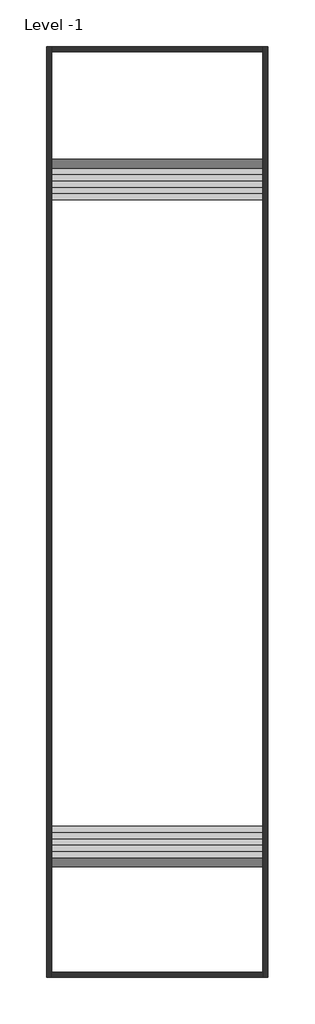
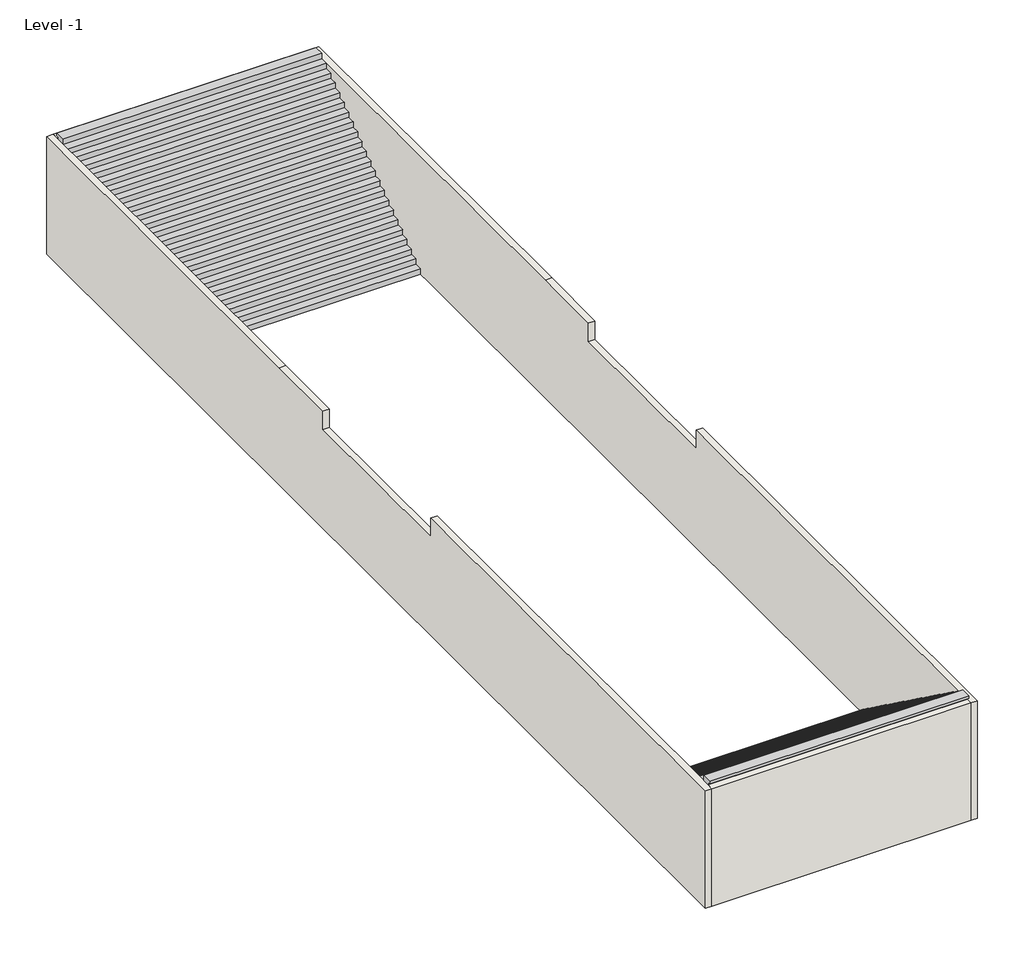
# One storey: 4 walls, 2 stair flights.
"""IFC4 building model written with IfcOpenShell, lengths in millimetres."""

from ifc_helpers import new_model, si_unit, frame, origin, place, context, project, spatial, polyline, outline, extrude, faceted_brep, element, save

model = new_model("IFC4")

# Units and contexts
model_context = context("Model", 3, world=origin())
ifc_project = project(units=[si_unit("LENGTHUNIT", "METRE", prefix="MILLI")], contexts=[model_context])

# Site, building, storey
site = spatial("IfcSite", under=ifc_project)
building = spatial("IfcBuilding", under=site)
storey = spatial("IfcBuildingStorey", under=building, Name="Level -1", Elevation=-5000.0)

# Stair flights
placement = place(None, origin())
element("IfcStairFlight", 1, ObjectType="1 mm Tread", at=placement, inside=storey, context=model_context, shape_type="Brep", body=[
    faceted_brep([(11292.4265189, 5497.7751014, -4782.6086957), (11292.4265189, 5797.7751014, -4782.6086957), (1292.4265189, 5797.7751014, -4782.6086957), (1292.4265189, 5497.7751014, -4782.6086957), (11292.4265189, 5497.7751014, -4967.8510904), (11292.4265189, 5542.1405967, -5000.0), (11292.4265189, 5797.7751014, -5000.0), (1292.4265189, 5797.7751014, -5000.0), (1292.4265189, 5542.1405967, -5000.0), (1292.4265189, 5497.7751014, -4967.8510904), (11292.4265189, 5197.7751014, -4565.2173913), (11292.4265189, 5497.7751014, -4565.2173913), (1292.4265189, 5497.7751014, -4565.2173913), (1292.4265189, 5197.7751014, -4565.2173913), (11292.4265189, 5197.7751014, -4750.459786), (1292.4265189, 5197.7751014, -4750.459786), (11292.4265189, 4897.7751014, -4347.826087), (11292.4265189, 5197.7751014, -4347.826087), (1292.4265189, 5197.7751014, -4347.826087), (1292.4265189, 4897.7751014, -4347.826087), (11292.4265189, 4897.7751014, -4533.0684817), (1292.4265189, 4897.7751014, -4533.0684817), (11292.4265189, 4597.7751014, -4130.4347826), (11292.4265189, 4897.7751014, -4130.4347826), (1292.4265189, 4897.7751014, -4130.4347826), (1292.4265189, 4597.7751014, -4130.4347826), (11292.4265189, 4597.7751014, -4315.6771773), (1292.4265189, 4597.7751014, -4315.6771773), (11292.4265189, 4297.7751014, -3913.0434783), (11292.4265189, 4597.7751014, -3913.0434783), (1292.4265189, 4597.7751014, -3913.0434783), (1292.4265189, 4297.7751014, -3913.0434783), (11292.4265189, 4297.7751014, -4098.285873), (1292.4265189, 4297.7751014, -4098.285873), (11292.4265189, 3997.7751014, -3695.6521739), (11292.4265189, 4297.7751014, -3695.6521739), (1292.4265189, 4297.7751014, -3695.6521739), (1292.4265189, 3997.7751014, -3695.6521739), (11292.4265189, 3997.7751014, -3880.8945686), (1292.4265189, 3997.7751014, -3880.8945686), (11292.4265189, 3697.7751014, -3478.2608696), (11292.4265189, 3997.7751014, -3478.2608696), (1292.4265189, 3997.7751014, -3478.2608696), (1292.4265189, 3697.7751014, -3478.2608696), (11292.4265189, 3697.7751014, -3663.5032643), (1292.4265189, 3697.7751014, -3663.5032643), (11292.4265189, 3397.7751014, -3260.8695652), (11292.4265189, 3697.7751014, -3260.8695652), (1292.4265189, 3697.7751014, -3260.8695652), (1292.4265189, 3397.7751014, -3260.8695652), (11292.4265189, 3397.7751014, -3446.1119599), (1292.4265189, 3397.7751014, -3446.1119599), (11292.4265189, 3097.7751014, -3043.4782609), (11292.4265189, 3397.7751014, -3043.4782609), (1292.4265189, 3397.7751014, -3043.4782609), (1292.4265189, 3097.7751014, -3043.4782609), (11292.4265189, 3097.7751014, -3228.7206556), (1292.4265189, 3097.7751014, -3228.7206556), (11292.4265189, 2797.7751014, -2826.0869565), (11292.4265189, 3097.7751014, -2826.0869565), (1292.4265189, 3097.7751014, -2826.0869565), (1292.4265189, 2797.7751014, -2826.0869565), (11292.4265189, 2797.7751014, -3011.3293512), (1292.4265189, 2797.7751014, -3011.3293512), (11292.4265189, 2497.7751014, -2608.6956522), (11292.4265189, 2797.7751014, -2608.6956522), (1292.4265189, 2797.7751014, -2608.6956522), (1292.4265189, 2497.7751014, -2608.6956522), (11292.4265189, 2497.7751014, -2793.9380469), (1292.4265189, 2497.7751014, -2793.9380469), (11292.4265189, 2197.7751014, -2391.3043478), (11292.4265189, 2497.7751014, -2391.3043478), (1292.4265189, 2497.7751014, -2391.3043478), (1292.4265189, 2197.7751014, -2391.3043478), (11292.4265189, 2197.7751014, -2576.5467425), (1292.4265189, 2197.7751014, -2576.5467425), (11292.4265189, 1897.7751014, -2173.9130435), (11292.4265189, 2197.7751014, -2173.9130435), (1292.4265189, 2197.7751014, -2173.9130435), (1292.4265189, 1897.7751014, -2173.9130435), (11292.4265189, 1897.7751014, -2359.1554382), (1292.4265189, 1897.7751014, -2359.1554382), (11292.4265189, 1597.7751014, -1956.5217391), (11292.4265189, 1897.7751014, -1956.5217391), (1292.4265189, 1897.7751014, -1956.5217391), (1292.4265189, 1597.7751014, -1956.5217391), (11292.4265189, 1597.7751014, -2141.7641339), (1292.4265189, 1597.7751014, -2141.7641339), (11292.4265189, 1297.7751014, -1739.1304348), (11292.4265189, 1597.7751014, -1739.1304348), (1292.4265189, 1597.7751014, -1739.1304348), (1292.4265189, 1297.7751014, -1739.1304348), (11292.4265189, 1297.7751014, -1924.3728295), (1292.4265189, 1297.7751014, -1924.3728295), (11292.4265189, 997.7751014, -1521.7391304), (11292.4265189, 1297.7751014, -1521.7391304), (1292.4265189, 1297.7751014, -1521.7391304), (1292.4265189, 997.7751014, -1521.7391304), (11292.4265189, 997.7751014, -1706.9815252), (1292.4265189, 997.7751014, -1706.9815252), (11292.4265189, 697.7751014, -1304.3478261), (11292.4265189, 997.7751014, -1304.3478261), (1292.4265189, 997.7751014, -1304.3478261), (1292.4265189, 697.7751014, -1304.3478261), (11292.4265189, 697.7751014, -1489.5902208), (1292.4265189, 697.7751014, -1489.5902208), (11292.4265189, 397.7751014, -1086.9565217), (11292.4265189, 697.7751014, -1086.9565217), (1292.4265189, 697.7751014, -1086.9565217), (1292.4265189, 397.7751014, -1086.9565217), (11292.4265189, 397.7751014, -1272.1989165), (1292.4265189, 397.7751014, -1272.1989165), (11292.4265189, 97.7751014, -869.5652174), (11292.4265189, 397.7751014, -869.5652174), (1292.4265189, 397.7751014, -869.5652174), (1292.4265189, 97.7751014, -869.5652174), (11292.4265189, 97.7751014, -1054.8076121), (1292.4265189, 97.7751014, -1054.8076121), (11292.4265189, -202.2248986, -652.173913), (11292.4265189, 97.7751014, -652.173913), (1292.4265189, 97.7751014, -652.173913), (1292.4265189, -202.2248986, -652.173913), (11292.4265189, -202.2248986, -837.4163078), (1292.4265189, -202.2248986, -837.4163078), (11292.4265189, -502.2248986, -434.7826087), (11292.4265189, -202.2248986, -434.7826087), (1292.4265189, -202.2248986, -434.7826087), (1292.4265189, -502.2248986, -434.7826087), (11292.4265189, -502.2248986, -620.0250034), (1292.4265189, -502.2248986, -620.0250034), (11292.4265189, -802.2248986, -217.3913043), (11292.4265189, -502.2248986, -217.3913043), (1292.4265189, -502.2248986, -217.3913043), (1292.4265189, -802.2248986, -217.3913043), (11292.4265189, -802.2248986, -402.6336991), (1292.4265189, -802.2248986, -402.6336991), (11292.4265189, -802.2248986, 0.0), (1292.4265189, -802.2248986, 0.0), (1292.4265189, -1202.2248986, 0.0), (11292.4265189, -1202.2248986, 0.0), (11292.4265189, -1202.2248986, -100.0), (11292.4265189, -1102.2248986, -100.0), (11292.4265189, -1102.2248986, -185.2423947), (1292.4265189, -1102.2248986, -185.2423947), (1292.4265189, -1102.2248986, -100.0), (1292.4265189, -1202.2248986, -100.0)], [[[0, 1, 2, 3]], [[1, 0, 4, 5, 6]], [[2, 1, 6, 7]], [[3, 2, 7, 8, 9]], [[10, 11, 12, 13]], [[11, 10, 14, 4, 0]], [[0, 3, 12, 11]], [[13, 12, 3, 9, 15]], [[16, 17, 18, 19]], [[17, 16, 20, 14, 10]], [[10, 13, 18, 17]], [[19, 18, 13, 15, 21]], [[22, 23, 24, 25]], [[23, 22, 26, 20, 16]], [[16, 19, 24, 23]], [[25, 24, 19, 21, 27]], [[28, 29, 30, 31]], [[29, 28, 32, 26, 22]], [[22, 25, 30, 29]], [[31, 30, 25, 27, 33]], [[34, 35, 36, 37]], [[35, 34, 38, 32, 28]], [[28, 31, 36, 35]], [[37, 36, 31, 33, 39]], [[40, 41, 42, 43]], [[41, 40, 44, 38, 34]], [[34, 37, 42, 41]], [[43, 42, 37, 39, 45]], [[46, 47, 48, 49]], [[47, 46, 50, 44, 40]], [[40, 43, 48, 47]], [[49, 48, 43, 45, 51]], [[52, 53, 54, 55]], [[53, 52, 56, 50, 46]], [[46, 49, 54, 53]], [[55, 54, 49, 51, 57]], [[58, 59, 60, 61]], [[59, 58, 62, 56, 52]], [[52, 55, 60, 59]], [[61, 60, 55, 57, 63]], [[64, 65, 66, 67]], [[65, 64, 68, 62, 58]], [[58, 61, 66, 65]], [[67, 66, 61, 63, 69]], [[70, 71, 72, 73]], [[71, 70, 74, 68, 64]], [[64, 67, 72, 71]], [[73, 72, 67, 69, 75]], [[76, 77, 78, 79]], [[77, 76, 80, 74, 70]], [[70, 73, 78, 77]], [[79, 78, 73, 75, 81]], [[82, 83, 84, 85]], [[83, 82, 86, 80, 76]], [[76, 79, 84, 83]], [[85, 84, 79, 81, 87]], [[88, 89, 90, 91]], [[89, 88, 92, 86, 82]], [[82, 85, 90, 89]], [[91, 90, 85, 87, 93]], [[94, 95, 96, 97]], [[95, 94, 98, 92, 88]], [[88, 91, 96, 95]], [[97, 96, 91, 93, 99]], [[100, 101, 102, 103]], [[101, 100, 104, 98, 94]], [[94, 97, 102, 101]], [[103, 102, 97, 99, 105]], [[106, 107, 108, 109]], [[107, 106, 110, 104, 100]], [[100, 103, 108, 107]], [[109, 108, 103, 105, 111]], [[112, 113, 114, 115]], [[113, 112, 116, 110, 106]], [[106, 109, 114, 113]], [[115, 114, 109, 111, 117]], [[118, 119, 120, 121]], [[119, 118, 122, 116, 112]], [[112, 115, 120, 119]], [[121, 120, 115, 117, 123]], [[124, 125, 126, 127]], [[125, 124, 128, 122, 118]], [[118, 121, 126, 125]], [[127, 126, 121, 123, 129]], [[130, 131, 132, 133]], [[131, 130, 134, 128, 124]], [[124, 127, 132, 131]], [[133, 132, 127, 129, 135]], [[136, 137, 138, 139]], [[136, 139, 140, 141, 142, 134, 130]], [[130, 133, 137, 136]], [[138, 137, 133, 135, 143, 144, 145]], [[143, 142, 141, 144]], [[7, 6, 5, 8]], [[8, 5, 4, 14, 20, 26, 32, 38, 44, 50, 56, 62, 68, 74, 80, 86, 92, 98, 104, 110, 116, 122, 128, 134, 142, 143, 135, 129, 123, 117, 111, 105, 99, 93, 87, 81, 75, 69, 63, 57, 51, 45, 39, 33, 27, 21, 15, 9]], [[145, 144, 141, 140]], [[145, 140, 139, 138]]]),
])
element("IfcStairFlight", 2, ObjectType="1 mm Tread", at=placement, inside=storey, context=model_context, shape_type="Brep", body=[
    faceted_brep([(1292.4265189, 35737.7751014, -4782.6086957), (1292.4265189, 35437.7751014, -4782.6086957), (11292.4265189, 35437.7751014, -4782.6086957), (11292.4265189, 35737.7751014, -4782.6086957), (1292.4265189, 35737.7751014, -4967.8510904), (1292.4265189, 35693.4096061, -5000.0), (1292.4265189, 35437.7751014, -5000.0), (11292.4265189, 35437.7751014, -5000.0), (11292.4265189, 35693.4096061, -5000.0), (11292.4265189, 35737.7751014, -4967.8510904), (1292.4265189, 36037.7751014, -4565.2173913), (1292.4265189, 35737.7751014, -4565.2173913), (11292.4265189, 35737.7751014, -4565.2173913), (11292.4265189, 36037.7751014, -4565.2173913), (1292.4265189, 36037.7751014, -4750.459786), (11292.4265189, 36037.7751014, -4750.459786), (1292.4265189, 36337.7751014, -4347.826087), (1292.4265189, 36037.7751014, -4347.826087), (11292.4265189, 36037.7751014, -4347.826087), (11292.4265189, 36337.7751014, -4347.826087), (1292.4265189, 36337.7751014, -4533.0684817), (11292.4265189, 36337.7751014, -4533.0684817), (1292.4265189, 36637.7751014, -4130.4347826), (1292.4265189, 36337.7751014, -4130.4347826), (11292.4265189, 36337.7751014, -4130.4347826), (11292.4265189, 36637.7751014, -4130.4347826), (1292.4265189, 36637.7751014, -4315.6771773), (11292.4265189, 36637.7751014, -4315.6771773), (1292.4265189, 36937.7751014, -3913.0434783), (1292.4265189, 36637.7751014, -3913.0434783), (11292.4265189, 36637.7751014, -3913.0434783), (11292.4265189, 36937.7751014, -3913.0434783), (1292.4265189, 36937.7751014, -4098.285873), (11292.4265189, 36937.7751014, -4098.285873), (1292.4265189, 37237.7751014, -3695.6521739), (1292.4265189, 36937.7751014, -3695.6521739), (11292.4265189, 36937.7751014, -3695.6521739), (11292.4265189, 37237.7751014, -3695.6521739), (1292.4265189, 37237.7751014, -3880.8945686), (11292.4265189, 37237.7751014, -3880.8945686), (1292.4265189, 37537.7751014, -3478.2608696), (1292.4265189, 37237.7751014, -3478.2608696), (11292.4265189, 37237.7751014, -3478.2608696), (11292.4265189, 37537.7751014, -3478.2608696), (1292.4265189, 37537.7751014, -3663.5032643), (11292.4265189, 37537.7751014, -3663.5032643), (1292.4265189, 37837.7751014, -3260.8695652), (1292.4265189, 37537.7751014, -3260.8695652), (11292.4265189, 37537.7751014, -3260.8695652), (11292.4265189, 37837.7751014, -3260.8695652), (1292.4265189, 37837.7751014, -3446.1119599), (11292.4265189, 37837.7751014, -3446.1119599), (1292.4265189, 38137.7751014, -3043.4782609), (1292.4265189, 37837.7751014, -3043.4782609), (11292.4265189, 37837.7751014, -3043.4782609), (11292.4265189, 38137.7751014, -3043.4782609), (1292.4265189, 38137.7751014, -3228.7206556), (11292.4265189, 38137.7751014, -3228.7206556), (1292.4265189, 38437.7751014, -2826.0869565), (1292.4265189, 38137.7751014, -2826.0869565), (11292.4265189, 38137.7751014, -2826.0869565), (11292.4265189, 38437.7751014, -2826.0869565), (1292.4265189, 38437.7751014, -3011.3293512), (11292.4265189, 38437.7751014, -3011.3293512), (1292.4265189, 38737.7751014, -2608.6956522), (1292.4265189, 38437.7751014, -2608.6956522), (11292.4265189, 38437.7751014, -2608.6956522), (11292.4265189, 38737.7751014, -2608.6956522), (1292.4265189, 38737.7751014, -2793.9380469), (11292.4265189, 38737.7751014, -2793.9380469), (1292.4265189, 39037.7751014, -2391.3043478), (1292.4265189, 38737.7751014, -2391.3043478), (11292.4265189, 38737.7751014, -2391.3043478), (11292.4265189, 39037.7751014, -2391.3043478), (1292.4265189, 39037.7751014, -2576.5467425), (11292.4265189, 39037.7751014, -2576.5467425), (1292.4265189, 39337.7751014, -2173.9130435), (1292.4265189, 39037.7751014, -2173.9130435), (11292.4265189, 39037.7751014, -2173.9130435), (11292.4265189, 39337.7751014, -2173.9130435), (1292.4265189, 39337.7751014, -2359.1554382), (11292.4265189, 39337.7751014, -2359.1554382), (1292.4265189, 39637.7751014, -1956.5217391), (1292.4265189, 39337.7751014, -1956.5217391), (11292.4265189, 39337.7751014, -1956.5217391), (11292.4265189, 39637.7751014, -1956.5217391), (1292.4265189, 39637.7751014, -2141.7641339), (11292.4265189, 39637.7751014, -2141.7641339), (1292.4265189, 39937.7751014, -1739.1304348), (1292.4265189, 39637.7751014, -1739.1304348), (11292.4265189, 39637.7751014, -1739.1304348), (11292.4265189, 39937.7751014, -1739.1304348), (1292.4265189, 39937.7751014, -1924.3728295), (11292.4265189, 39937.7751014, -1924.3728295), (1292.4265189, 40237.7751014, -1521.7391304), (1292.4265189, 39937.7751014, -1521.7391304), (11292.4265189, 39937.7751014, -1521.7391304), (11292.4265189, 40237.7751014, -1521.7391304), (1292.4265189, 40237.7751014, -1706.9815252), (11292.4265189, 40237.7751014, -1706.9815252), (1292.4265189, 40537.7751014, -1304.3478261), (1292.4265189, 40237.7751014, -1304.3478261), (11292.4265189, 40237.7751014, -1304.3478261), (11292.4265189, 40537.7751014, -1304.3478261), (1292.4265189, 40537.7751014, -1489.5902208), (11292.4265189, 40537.7751014, -1489.5902208), (1292.4265189, 40837.7751014, -1086.9565217), (1292.4265189, 40537.7751014, -1086.9565217), (11292.4265189, 40537.7751014, -1086.9565217), (11292.4265189, 40837.7751014, -1086.9565217), (1292.4265189, 40837.7751014, -1272.1989165), (11292.4265189, 40837.7751014, -1272.1989165), (1292.4265189, 41137.7751014, -869.5652174), (1292.4265189, 40837.7751014, -869.5652174), (11292.4265189, 40837.7751014, -869.5652174), (11292.4265189, 41137.7751014, -869.5652174), (1292.4265189, 41137.7751014, -1054.8076121), (11292.4265189, 41137.7751014, -1054.8076121), (1292.4265189, 41437.7751014, -652.173913), (1292.4265189, 41137.7751014, -652.173913), (11292.4265189, 41137.7751014, -652.173913), (11292.4265189, 41437.7751014, -652.173913), (1292.4265189, 41437.7751014, -837.4163078), (11292.4265189, 41437.7751014, -837.4163078), (1292.4265189, 41737.7751014, -434.7826087), (1292.4265189, 41437.7751014, -434.7826087), (11292.4265189, 41437.7751014, -434.7826087), (11292.4265189, 41737.7751014, -434.7826087), (1292.4265189, 41737.7751014, -620.0250034), (11292.4265189, 41737.7751014, -620.0250034), (1292.4265189, 42037.7751014, -217.3913043), (1292.4265189, 41737.7751014, -217.3913043), (11292.4265189, 41737.7751014, -217.3913043), (11292.4265189, 42037.7751014, -217.3913043), (1292.4265189, 42037.7751014, -402.6336991), (11292.4265189, 42037.7751014, -402.6336991), (1292.4265189, 42037.7751014, 0.0), (11292.4265189, 42037.7751014, 0.0), (11292.4265189, 42437.7751014, 0.0), (1292.4265189, 42437.7751014, 0.0), (1292.4265189, 42437.7751014, -100.0), (1292.4265189, 42337.7751014, -100.0), (1292.4265189, 42337.7751014, -185.2423947), (11292.4265189, 42337.7751014, -185.2423947), (11292.4265189, 42337.7751014, -100.0), (11292.4265189, 42437.7751014, -100.0)], [[[0, 1, 2, 3]], [[1, 0, 4, 5, 6]], [[2, 1, 6, 7]], [[3, 2, 7, 8, 9]], [[10, 11, 12, 13]], [[11, 10, 14, 4, 0]], [[0, 3, 12, 11]], [[13, 12, 3, 9, 15]], [[16, 17, 18, 19]], [[17, 16, 20, 14, 10]], [[10, 13, 18, 17]], [[19, 18, 13, 15, 21]], [[22, 23, 24, 25]], [[23, 22, 26, 20, 16]], [[16, 19, 24, 23]], [[25, 24, 19, 21, 27]], [[28, 29, 30, 31]], [[29, 28, 32, 26, 22]], [[22, 25, 30, 29]], [[31, 30, 25, 27, 33]], [[34, 35, 36, 37]], [[35, 34, 38, 32, 28]], [[28, 31, 36, 35]], [[37, 36, 31, 33, 39]], [[40, 41, 42, 43]], [[41, 40, 44, 38, 34]], [[34, 37, 42, 41]], [[43, 42, 37, 39, 45]], [[46, 47, 48, 49]], [[47, 46, 50, 44, 40]], [[40, 43, 48, 47]], [[49, 48, 43, 45, 51]], [[52, 53, 54, 55]], [[53, 52, 56, 50, 46]], [[46, 49, 54, 53]], [[55, 54, 49, 51, 57]], [[58, 59, 60, 61]], [[59, 58, 62, 56, 52]], [[52, 55, 60, 59]], [[61, 60, 55, 57, 63]], [[64, 65, 66, 67]], [[65, 64, 68, 62, 58]], [[58, 61, 66, 65]], [[67, 66, 61, 63, 69]], [[70, 71, 72, 73]], [[71, 70, 74, 68, 64]], [[64, 67, 72, 71]], [[73, 72, 67, 69, 75]], [[76, 77, 78, 79]], [[77, 76, 80, 74, 70]], [[70, 73, 78, 77]], [[79, 78, 73, 75, 81]], [[82, 83, 84, 85]], [[83, 82, 86, 80, 76]], [[76, 79, 84, 83]], [[85, 84, 79, 81, 87]], [[88, 89, 90, 91]], [[89, 88, 92, 86, 82]], [[82, 85, 90, 89]], [[91, 90, 85, 87, 93]], [[94, 95, 96, 97]], [[95, 94, 98, 92, 88]], [[88, 91, 96, 95]], [[97, 96, 91, 93, 99]], [[100, 101, 102, 103]], [[101, 100, 104, 98, 94]], [[94, 97, 102, 101]], [[103, 102, 97, 99, 105]], [[106, 107, 108, 109]], [[107, 106, 110, 104, 100]], [[100, 103, 108, 107]], [[109, 108, 103, 105, 111]], [[112, 113, 114, 115]], [[113, 112, 116, 110, 106]], [[106, 109, 114, 113]], [[115, 114, 109, 111, 117]], [[118, 119, 120, 121]], [[119, 118, 122, 116, 112]], [[112, 115, 120, 119]], [[121, 120, 115, 117, 123]], [[124, 125, 126, 127]], [[125, 124, 128, 122, 118]], [[118, 121, 126, 125]], [[127, 126, 121, 123, 129]], [[130, 131, 132, 133]], [[131, 130, 134, 128, 124]], [[124, 127, 132, 131]], [[133, 132, 127, 129, 135]], [[136, 137, 138, 139]], [[136, 139, 140, 141, 142, 134, 130]], [[130, 133, 137, 136]], [[138, 137, 133, 135, 143, 144, 145]], [[143, 142, 141, 144]], [[7, 6, 5, 8]], [[8, 5, 4, 14, 20, 26, 32, 38, 44, 50, 56, 62, 68, 74, 80, 86, 92, 98, 104, 110, 116, 122, 128, 134, 142, 143, 135, 129, 123, 117, 111, 105, 99, 93, 87, 81, 75, 69, 63, 57, 51, 45, 39, 33, 27, 21, 15, 9]], [[145, 144, 141, 140]], [[145, 140, 139, 138]]]),
])

# Walls
element("IfcWall", 3, ObjectType="Generic 250mm Wall", at=placement, inside=storey, context=model_context, shape_type="Brep", body=[
    faceted_brep([(1042.4265189, 42687.7751014, -5000.0), (1042.4265189, -1352.2248986, -5000.0), (1042.4265189, -1352.2248986, -200.0), (1042.4265189, 17017.7751014, -200.0), (1042.4265189, 17017.7751014, -215.0), (1042.4265189, 17017.7751014, -760.0), (1042.4265189, 17017.7751014, -960.0), (1042.4265189, 24217.7751014, -960.0), (1042.4265189, 24217.7751014, -760.0), (1042.4265189, 24217.7751014, -215.0), (1042.4265189, 24217.7751014, -200.0), (1042.4265189, 27117.7751014, -200.0), (1042.4265189, 42687.7751014, -200.0), (1292.4265189, -1352.2248986, -5000.0), (1292.4265189, -1102.2248986, -5000.0), (1292.4265189, 42437.7751014, -5000.0), (1292.4265189, 42687.7751014, -5000.0), (1292.4265189, 42687.7751014, -200.0), (1292.4265189, 42437.7751014, -200.0), (1292.4265189, 42337.7751014, -200.0), (1292.4265189, 40580.4891333, -200.0), (1292.4265189, 27117.7751014, -200.0), (1292.4265189, 24217.7751014, -200.0), (1292.4265189, 24217.7751014, -215.0), (1292.4265189, 24217.7751014, -760.0), (1292.4265189, 24217.7751014, -960.0), (1292.4265189, 17017.7751014, -960.0), (1292.4265189, 17017.7751014, -760.0), (1292.4265189, 17017.7751014, -215.0), (1292.4265189, 17017.7751014, -200.0), (1292.4265189, -1102.2248986, -200.0), (1292.4265189, -1352.2248986, -200.0)], [[[0, 1, 2, 3, 4, 5, 6, 7, 8, 9, 10, 11, 12]], [[13, 14, 15, 16, 17, 18, 19, 20, 21, 22, 23, 24, 25, 26, 27, 28, 29, 30, 31]], [[0, 12, 17, 16]], [[2, 1, 13, 31]], [[1, 0, 16, 15, 14, 13]], [[3, 2, 31, 30, 29]], [[7, 6, 26, 25]], [[11, 10, 22, 21]], [[17, 12, 11, 21, 20, 19, 18]], [[3, 29, 28, 27, 26, 6, 5, 4]], [[7, 25, 24, 23, 22, 10, 9, 8]]]),
])
element("IfcWall", 4, ObjectType="Generic 250mm Wall", at=placement, inside=storey, context=model_context, shape_type="Brep", body=[
    faceted_brep([(11542.4265189, -1352.2248986, -5000.0), (11542.4265189, 42687.7751014, -5000.0), (11542.4265189, 42687.7751014, -200.0), (11542.4265189, 27117.7751014, -200.0), (11542.4265189, 24217.7751014, -200.0), (11542.4265189, 24217.7751014, -215.0), (11542.4265189, 24217.7751014, -760.0), (11542.4265189, 24217.7751014, -960.0), (11542.4265189, 17017.7751014, -960.0), (11542.4265189, 17017.7751014, -760.0), (11542.4265189, 17017.7751014, -215.0), (11542.4265189, 17017.7751014, -200.0), (11542.4265189, -1352.2248986, -200.0), (11292.4265189, 42687.7751014, -5000.0), (11292.4265189, 42437.7751014, -5000.0), (11292.4265189, -1102.2248986, -5000.0), (11292.4265189, -1352.2248986, -5000.0), (11292.4265189, -1352.2248986, -200.0), (11292.4265189, -1102.2248986, -200.0), (11292.4265189, 17017.7751014, -200.0), (11292.4265189, 17017.7751014, -215.0), (11292.4265189, 17017.7751014, -760.0), (11292.4265189, 17017.7751014, -960.0), (11292.4265189, 24217.7751014, -960.0), (11292.4265189, 24217.7751014, -760.0), (11292.4265189, 24217.7751014, -215.0), (11292.4265189, 24217.7751014, -200.0), (11292.4265189, 27117.7751014, -200.0), (11292.4265189, 40580.4835444, -200.0), (11292.4265189, 42337.7751014, -200.0), (11292.4265189, 42437.7751014, -200.0), (11292.4265189, 42687.7751014, -200.0)], [[[0, 1, 2, 3, 4, 5, 6, 7, 8, 9, 10, 11, 12]], [[13, 14, 15, 16, 17, 18, 19, 20, 21, 22, 23, 24, 25, 26, 27, 28, 29, 30, 31]], [[2, 1, 13, 31]], [[0, 12, 17, 16]], [[3, 2, 31, 30, 29, 28, 27]], [[1, 0, 16, 15, 14, 13]], [[27, 26, 4, 3]], [[8, 7, 23, 22]], [[12, 11, 19, 18, 17]], [[8, 22, 21, 20, 19, 11, 10, 9]], [[4, 26, 25, 24, 23, 7, 6, 5]]]),
])
element("IfcWall", 5, ObjectType="Generic 250mm Wall", at=placement, inside=storey, context=model_context, shape_type="SweptSolid", body=[
    extrude(outline(polyline([(1292.4265189, 42687.7751014), (11292.4265189, 42687.7751014), (11292.4265189, 42437.7751014), (1292.4265189, 42437.7751014), (1292.4265189, 42687.7751014)])), frame((0.0, 0.0, -5000.0), z_axis=(0.0, 0.0, 1.0), x_axis=(1.0, 0.0, 0.0)), (0.0, 0.0, 1.0), 4800.0),
])
element("IfcWall", 6, ObjectType="Generic 250mm Wall", at=placement, inside=storey, context=model_context, shape_type="Brep", body=[
    faceted_brep([(1292.4265189, -1352.2248986, -5000.0), (11292.4265189, -1352.2248986, -5000.0), (11292.4265189, -1352.2248986, -200.0), (1292.4265189, -1352.2248986, -200.0), (1292.4265189, -1102.2248986, -5000.0), (1292.4265189, -1102.2248986, -200.0), (7492.4250814, -1102.2248986, -200.0), (11292.4265189, -1102.2248986, -200.0), (11292.4265189, -1102.2248986, -5000.0)], [[[0, 1, 2, 3]], [[4, 5, 6, 7, 8]], [[1, 0, 4, 8]], [[2, 1, 8, 7]], [[0, 3, 5, 4]], [[3, 2, 7, 6, 5]]]),
])

save(model, "model.ifc")
